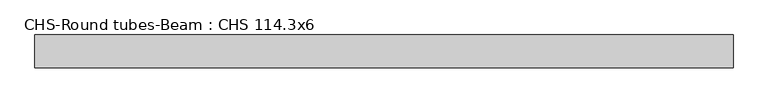
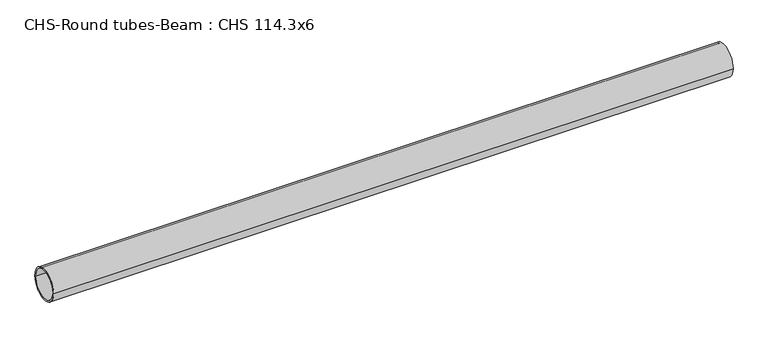
"""IFC4 building model written with IfcOpenShell, lengths in millimetres: beam geometry, CHS-Round tubes-Beam : CHS 114.3x6."""

from ifc_helpers import new_model, si_unit, point, frame, origin, origin_2d, place, context, project, spatial, circle_curve, trimmed, segment, composite_curve, outline, extrude, source, transform, mapped, element, save


def chs_round_tubes_beam_chs_114_3x6_bee11de5(model_context):
    return source(origin(), model_context, "Body", "SweptSolid", [
        extrude(outline(composite_curve([segment(trimmed(circle_curve(origin_2d(), 57.15), [point((57.15, 0.0))], [point((-57.15, 0.0))], False, "CARTESIAN"), True, "CONTINUOUS"), segment(trimmed(circle_curve(origin_2d(), 57.15), [point((-57.15, 0.0))], [point((57.15, 0.0))], False, "CARTESIAN"), True, "CONTINUOUS")], self_intersect=False), holes=[composite_curve([segment(trimmed(circle_curve(origin_2d(), 51.15), [point((51.15, 0.0))], [point((-51.15, 0.0))], True, "CARTESIAN"), True, "CONTINUOUS"), segment(trimmed(circle_curve(origin_2d(), 51.15), [point((-51.15, 0.0))], [point((51.15, 0.0))], True, "CARTESIAN"), True, "CONTINUOUS")], self_intersect=False)]), frame((-1176.9173899, 0.0, 0.0), z_axis=(1.0, 0.0, 0.0), x_axis=(0.0, 1.0, 0.0)), (0.0, 0.0, 1.0), 2414.0602641),
    ])


if __name__ == "__main__":
    model = new_model("IFC4")
    model_context = context("Model", 3, world=origin())
    ifc_project = project(units=[si_unit("LENGTHUNIT", "METRE", prefix="MILLI")], contexts=[model_context])
    site = spatial("IfcSite", under=ifc_project)
    building = spatial("IfcBuilding", under=site)
    placement = place(None, origin())
    chs_round_tubes_beam_chs_114_3x6_shape = chs_round_tubes_beam_chs_114_3x6_bee11de5(model_context)
    element("IfcBeam", 1, ObjectType="CHS-Round tubes-Beam : CHS 114.3x6", at=placement, inside=building, context=model_context, shape_type="MappedRepresentation", body=[
        mapped(chs_round_tubes_beam_chs_114_3x6_shape, transform((0.0, 0.0, 0.0), x_axis=(1.0, 0.0, 0.0), y_axis=(0.0, 1.0, 0.0), z_axis=(0.0, 0.0, 1.0))),
    ])
    save(model, "model.ifc")
